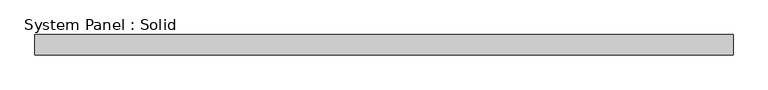
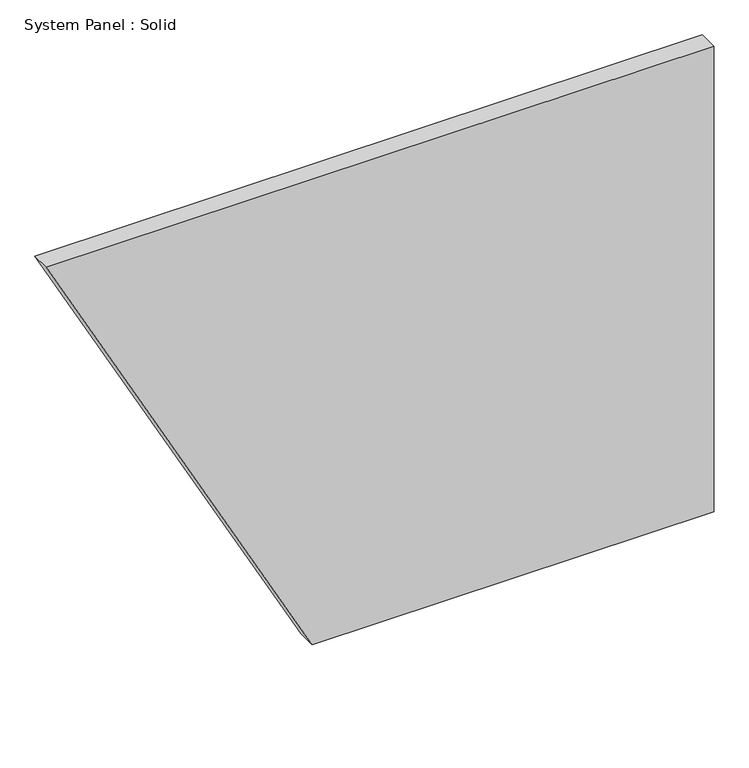
"""IFC4 building model written with IfcOpenShell, lengths in millimetres: plate geometry, System Panel : Solid."""

from ifc_helpers import new_model, si_unit, frame, origin, place, context, project, spatial, polyline, outline, extrude, source, transform, mapped, element, save


def system_panel_solid_896a2af4(model_context):
    return source(origin(), model_context, "Body", "SweptSolid", [
        extrude(outline(polyline([(0.0, -206.3515368), (0.0, 1017.2735837), (1500.0, 1017.2735837), (1500.0, -1017.2735837), (0.0, -206.3515368)])), frame((0.0, -10.5, 0.0), z_axis=(0.0, 1.0, 0.0), x_axis=(0.0, 0.0, 1.0)), (0.0, 0.0, 1.0), 60.0),
    ])


if __name__ == "__main__":
    model = new_model("IFC4")
    model_context = context("Model", 3, world=origin())
    ifc_project = project(units=[si_unit("LENGTHUNIT", "METRE", prefix="MILLI")], contexts=[model_context])
    site = spatial("IfcSite", under=ifc_project)
    building = spatial("IfcBuilding", under=site)
    placement = place(None, origin())
    system_panel_solid_shape = system_panel_solid_896a2af4(model_context)
    element("IfcPlate", 1, ObjectType="System Panel : Solid", at=placement, inside=building, context=model_context, shape_type="MappedRepresentation", body=[
        mapped(system_panel_solid_shape, transform((0.0, 0.0, 0.0), x_axis=(1.0, 0.0, 0.0), y_axis=(0.0, 1.0, 0.0), z_axis=(0.0, 0.0, 1.0))),
    ])
    save(model, "model.ifc")
